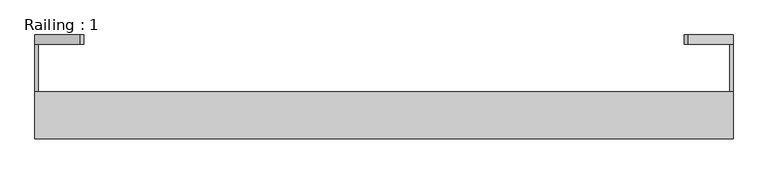
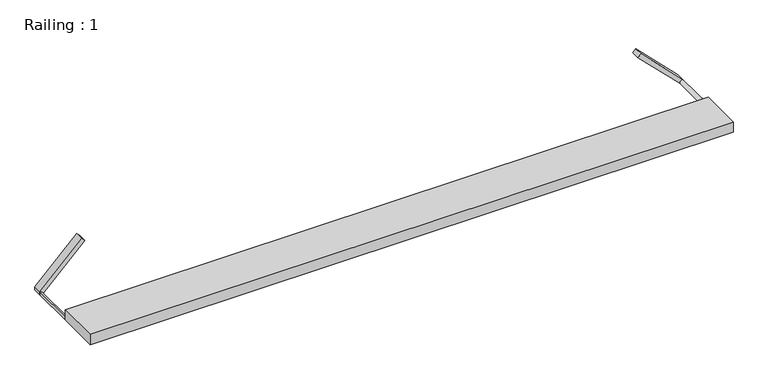
"""IFC4 building model written with IfcOpenShell, lengths in millimetres: proxy geometry, Railing : 1."""

from ifc_helpers import new_model, si_unit, point, frame, frame_2d, origin, origin_with_axes, place, context, project, spatial, polyline, circle_curve, trimmed, segment, composite_curve, outline, extrude, source, transform, mapped, element, save


def railing_1_ef705365(model_context):
    return source(origin(), model_context, "Body", "SweptSolid", [
        extrude(outline(polyline([(740.0, -148.3559767), (740.0, -248.3559767), (-740.0, -248.3559767), (-740.0, -148.3559767), (740.0, -148.3559767)])), origin_with_axes(), (0.0, 0.0, 1.0), 25.0),
        extrude(outline(composite_curve([segment(polyline([(0.0, 740.0), (7.0710678, 740.0)]), True, "CONTINUOUS"), segment(trimmed(circle_curve(frame_2d((0.0, 740.0)), 7.0710678), [point((7.0710678, 740.0))], [point((0.0, 732.9289322))], False, "CARTESIAN"), True, "CONTINUOUS"), segment(polyline([(0.0, 732.9289322), (0.0, 740.0)]), True, "CONTINUOUS")], self_intersect=False)), frame((0.0, -148.3559767, 0.0), z_axis=(0.0, 1.0, 0.0), x_axis=(0.0, 0.0, 1.0)), (0.0, 0.0, 1.0), 100.0),
        extrude(outline(composite_curve([segment(polyline([(0.0, -740.0), (0.0, -732.9289322)]), True, "CONTINUOUS"), segment(trimmed(circle_curve(frame_2d((0.0, -740.0)), 7.0710678), [point((0.0, -732.9289322))], [point((7.0710678, -740.0))], False, "CARTESIAN"), True, "CONTINUOUS"), segment(polyline([(7.0710678, -740.0), (0.0, -740.0)]), True, "CONTINUOUS")], self_intersect=False)), frame((0.0, -148.3559767, 0.0), z_axis=(0.0, 1.0, 0.0), x_axis=(0.0, 0.0, 1.0)), (0.0, 0.0, 1.0), 100.0),
        extrude(outline(polyline([(103.5355339, 643.5355339), (96.4644661, 636.4644661), (0.0, 732.9289322), (0.0, 740.0), (7.0710678, 740.0), (103.5355339, 643.5355339)])), frame((0.0, -48.3559767, 0.0), z_axis=(0.0, 1.0, 0.0), x_axis=(0.0, 0.0, 1.0)), (0.0, 0.0, 1.0), 20.0),
        extrude(outline(polyline([(0.0, -740.0), (0.0, -732.9289322), (96.4644661, -636.4644661), (103.5355339, -643.5355339), (7.0710678, -740.0), (0.0, -740.0)])), frame((0.0, -48.3559767, 0.0), z_axis=(0.0, 1.0, 0.0), x_axis=(0.0, 0.0, 1.0)), (0.0, 0.0, 1.0), 20.0),
    ])


if __name__ == "__main__":
    model = new_model("IFC4")
    model_context = context("Model", 3, world=origin())
    ifc_project = project(units=[si_unit("LENGTHUNIT", "METRE", prefix="MILLI")], contexts=[model_context])
    site = spatial("IfcSite", under=ifc_project)
    building = spatial("IfcBuilding", under=site)
    placement = place(None, origin())
    railing_1_shape = railing_1_ef705365(model_context)
    element("IfcBuildingElementProxy", 1, Name="Railing : 1", ObjectType="Railing : 1", at=placement, inside=building, context=model_context, shape_type="MappedRepresentation", body=[
        mapped(railing_1_shape, transform((0.0, 0.0, 0.0), x_axis=(1.0, 0.0, 0.0), y_axis=(0.0, 1.0, 0.0), z_axis=(0.0, 0.0, 1.0))),
    ])
    save(model, "model.ifc")
